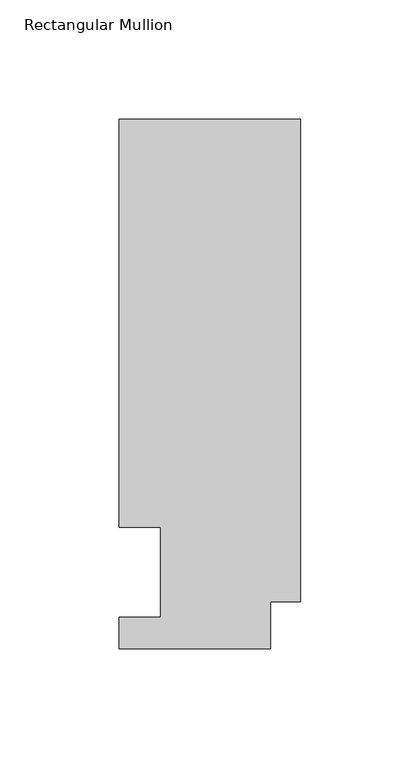
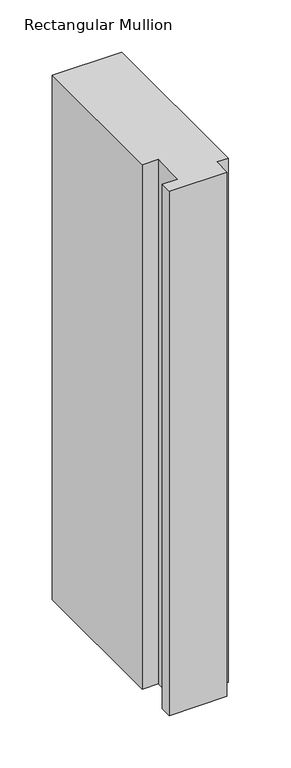
"""IFC4 building model written with IfcOpenShell, lengths in millimetres: member geometry, Rectangular Mullion."""

from ifc_helpers import new_model, si_unit, frame, origin, place, context, project, spatial, polyline, outline, extrude, source, transform, mapped, element, save


def rectangular_mullion_f93d7215(model_context):
    return source(origin(), model_context, "Body", "SweptSolid", [
        extrude(outline(polyline([(-76.2000001, 222.0301312), (0.0, 222.0301312), (0.0, 19.5667312), (-12.7, 19.5667312), (-12.7, 0.041758), (-76.2, 0.041758), (-76.2, 13.224358), (-58.7676635, 13.224358), (-58.7676635, 50.820278), (-76.2000001, 50.820278), (-76.2000001, 222.0301312)])), frame((0.0, 0.0, -609.6), z_axis=(0.0, 0.0, 1.0), x_axis=(1.0, 0.0, 0.0)), (0.0, 0.0, 1.0), 609.6),
    ])


if __name__ == "__main__":
    model = new_model("IFC4")
    model_context = context("Model", 3, world=origin())
    ifc_project = project(units=[si_unit("LENGTHUNIT", "METRE", prefix="MILLI")], contexts=[model_context])
    site = spatial("IfcSite", under=ifc_project)
    building = spatial("IfcBuilding", under=site)
    placement = place(None, origin())
    rectangular_mullion_shape = rectangular_mullion_f93d7215(model_context)
    element("IfcMember", 1, ObjectType="Rectangular Mullion", at=placement, inside=building, context=model_context, shape_type="MappedRepresentation", body=[
        mapped(rectangular_mullion_shape, transform((0.0, 0.0, 0.0), x_axis=(1.0, 0.0, 0.0), y_axis=(0.0, 1.0, 0.0), z_axis=(0.0, 0.0, 1.0))),
    ])
    save(model, "model.ifc")
